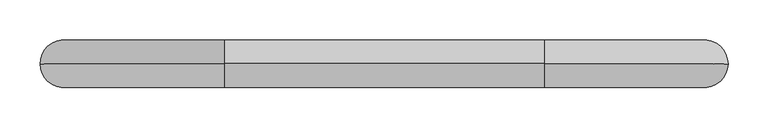
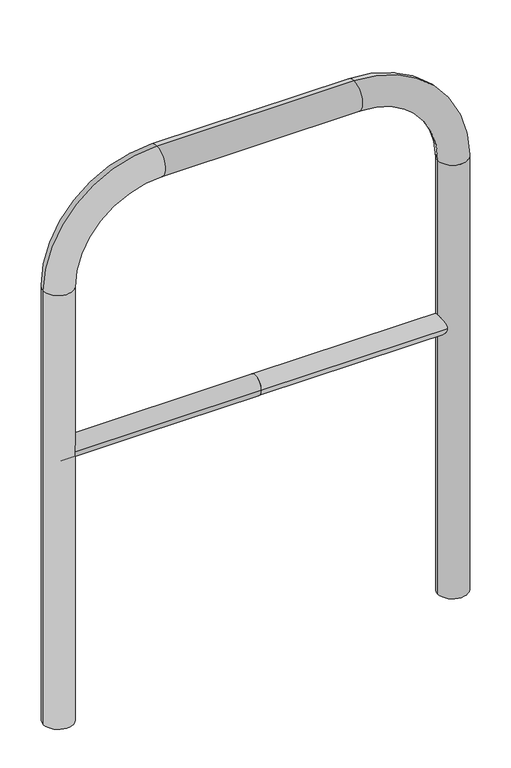
"""IFC4 building model written with IfcOpenShell, lengths in millimetres: proxy geometry."""

from ifc_helpers import new_model, si_unit, point, frame, frame_2d, origin, place, context, project, spatial, circle_curve, ellipse_curve, trimmed, segment, composite_curve, outline, extrude, source, transform, mapped, element, save
from ifc_brep_helpers import plane_surface, cylinder_surface, revolved_surface, advanced_brep


def generic_models_d924626f(model_context):
    return source(origin(), model_context, "Body", "SolidModel", [
        extrude(outline(composite_curve([segment(trimmed(circle_curve(frame_2d((0.0, 498.4778375)), 20.0), [point((-20.0, 498.4778375))], [point((20.0, 498.4778375))], False, "CARTESIAN"), True, "CONTINUOUS"), segment(trimmed(circle_curve(frame_2d((0.0, 498.4778375)), 20.0), [point((20.0, 498.4778375))], [point((-20.0, 498.4778375))], False, "CARTESIAN"), True, "CONTINUOUS")], self_intersect=False)), frame((-400.0, 0.0, 0.0), z_axis=(1.0, 0.0, 0.0), x_axis=(0.0, 1.0, 0.0)), (0.0, 0.0, 1.0), 400.0),
        extrude(outline(composite_curve([segment(trimmed(circle_curve(frame_2d((0.0, 498.4778375)), 20.0), [point((-20.0, 498.4778375))], [point((20.0, 498.4778375))], False, "CARTESIAN"), True, "CONTINUOUS"), segment(trimmed(circle_curve(frame_2d((0.0, 498.4778375)), 20.0), [point((20.0, 498.4778375))], [point((-20.0, 498.4778375))], False, "CARTESIAN"), True, "CONTINUOUS")], self_intersect=False)), frame((0.0, 0.0, 0.0), z_axis=(1.0, 0.0, 0.0), x_axis=(0.0, 1.0, 0.0)), (0.0, 0.0, 1.0), 400.0),
        advanced_brep(
        [(-370.0, 0.0, -80.0), (-430.0, 0.0, -80.0), (-370.0, 0.0, 850.0), (-430.0, 0.0, 850.0), (-200.0, 0.0, 1080.0), (-200.0, 0.0, 1020.0), (200.0, 0.0, 1020.0), (200.0, 0.0, 1080.0), (430.0, 0.0, 850.0), (370.0, 0.0, 850.0), (370.0, 0.0, -80.0), (430.0, 0.0, -80.0)],
        [
            (0, 1, circle_curve(frame((-400.0, 0.0, -80.0), z_axis=(0.0, 0.0, -1.0), x_axis=(-1.0, 0.0, 0.0)), 30.0)),
            (1, 0, circle_curve(frame((-400.0, 0.0, -80.0), z_axis=(0.0, 0.0, -1.0), x_axis=(-1.0, 0.0, 0.0)), 30.0)),
            (0, 2),
            (2, 3, circle_curve(frame((-400.0, 0.0, 850.0), z_axis=(0.0, 0.0, -1.0), x_axis=(-1.0, 0.0, 0.0)), 30.0)),
            (3, 1),
            (3, 2, circle_curve(frame((-400.0, 0.0, 850.0), z_axis=(0.0, 0.0, -1.0), x_axis=(-1.0, 0.0, 0.0)), 30.0)),
            (4, 3, circle_curve(frame((-200.0, 0.0, 850.0), z_axis=(0.0, -1.0, 0.0), x_axis=(-1.0, 0.0, 0.0)), 230.0)),
            (2, 5, circle_curve(frame((-200.0, 0.0, 850.0), z_axis=(0.0, 1.0, 0.0), x_axis=(-1.0, 0.0, 0.0)), 170.0)),
            (5, 4, circle_curve(frame((-200.0, 0.0, 1050.0), z_axis=(-1.0, 0.0, 0.0), x_axis=(0.0, 0.0, 1.0)), 30.0)),
            (4, 5, circle_curve(frame((-200.0, 0.0, 1050.0), z_axis=(-1.0, 0.0, 0.0), x_axis=(0.0, 0.0, 1.0)), 30.0)),
            (5, 6),
            (6, 7, circle_curve(frame((200.0, 0.0, 1050.0), z_axis=(-1.0, 0.0, 0.0), x_axis=(0.0, 0.0, 1.0)), 30.0)),
            (7, 4),
            (7, 6, circle_curve(frame((200.0, 0.0, 1050.0), z_axis=(-1.0, 0.0, 0.0), x_axis=(0.0, 0.0, 1.0)), 30.0)),
            (8, 7, circle_curve(frame((200.0, 0.0, 850.0), z_axis=(0.0, -1.0, 0.0), x_axis=(0.0, 0.0, 1.0)), 230.0)),
            (6, 9, circle_curve(frame((200.0, 0.0, 850.0), z_axis=(0.0, 1.0, 0.0), x_axis=(0.0, 0.0, 1.0)), 170.0)),
            (9, 8, circle_curve(frame((400.0, 0.0, 850.0), z_axis=(0.0, 0.0, 1.0), x_axis=(1.0, 0.0, 0.0)), 30.0)),
            (8, 9, circle_curve(frame((400.0, 0.0, 850.0), z_axis=(0.0, 0.0, 1.0), x_axis=(1.0, 0.0, 0.0)), 30.0)),
            (10, 11, circle_curve(frame((400.0, 0.0, -80.0), z_axis=(0.0, 0.0, -1.0), x_axis=(1.0, 0.0, 0.0)), 30.0)),
            (11, 10, circle_curve(frame((400.0, 0.0, -80.0), z_axis=(0.0, 0.0, -1.0), x_axis=(1.0, 0.0, 0.0)), 30.0)),
            (9, 10),
            (11, 8),
        ],
        [
            plane_surface(frame((-400.0, 0.0, -80.0), z_axis=(0.0, 0.0, -1.0), x_axis=(0.0, -1.0, 0.0))),
            cylinder_surface(frame((-400.0, 0.0, -80.0), z_axis=(0.0, 0.0, -1.0), x_axis=(-1.0, 0.0, 0.0)), 30.0),
            revolved_surface(trimmed(ellipse_curve(frame((-400.0, 0.0, 850.0), z_axis=(0.0, 0.0, -1.0), x_axis=(-1.0, 0.0, 0.0)), 30.0, 30.0), [point((-370.0, 0.0, 850.0))], [point((-430.0, 0.0, 850.0))], True, "CARTESIAN"), (-200.0, 0.0, 850.0), (0.0, 1.0, 0.0)),
            revolved_surface(trimmed(ellipse_curve(frame((-400.0, 0.0, 850.0), z_axis=(0.0, 0.0, -1.0), x_axis=(-1.0, 0.0, 0.0)), 30.0, 30.0), [point((-430.0, 0.0, 850.0))], [point((-370.0, 0.0, 850.0))], True, "CARTESIAN"), (-200.0, 0.0, 850.0), (0.0, 1.0, 0.0)),
            cylinder_surface(frame((-200.0, 0.0, 1050.0), z_axis=(-1.0, 0.0, 0.0), x_axis=(0.0, 0.0, 1.0)), 30.0),
            revolved_surface(trimmed(ellipse_curve(frame((200.0, 0.0, 1050.0), z_axis=(-1.0, 0.0, 0.0), x_axis=(0.0, 0.0, 1.0)), 30.0, 30.0), [point((200.0, 0.0, 1020.0))], [point((200.0, 0.0, 1080.0))], True, "CARTESIAN"), (200.0, 0.0, 850.0), (0.0, 1.0, 0.0)),
            revolved_surface(trimmed(ellipse_curve(frame((200.0, 0.0, 1050.0), z_axis=(-1.0, 0.0, 0.0), x_axis=(0.0, 0.0, 1.0)), 30.0, 30.0), [point((200.0, 0.0, 1080.0))], [point((200.0, 0.0, 1020.0))], True, "CARTESIAN"), (200.0, 0.0, 850.0), (0.0, 1.0, 0.0)),
            plane_surface(frame((400.0, 0.0, -80.0), z_axis=(0.0, 0.0, -1.0), x_axis=(0.0, -1.0, 0.0))),
            cylinder_surface(frame((400.0, 0.0, 850.0), z_axis=(0.0, 0.0, 1.0), x_axis=(1.0, 0.0, 0.0)), 30.0),
        ],
        [
            (0, [[1, 2]]),
            (1, [[-1, 3, 4, 5]]),
            (1, [[-2, -5, 6, -3]]),
            (2, [[7, -4, 8, 9]]),
            (3, [[-8, -6, -7, 10]]),
            (4, [[-9, 11, 12, 13]]),
            (4, [[-10, -13, 14, -11]]),
            (5, [[15, -12, 16, 17]]),
            (6, [[-16, -14, -15, 18]]),
            (7, [[19, 20]]),
            (8, [[-17, 21, -20, 22]]),
            (8, [[-18, -22, -19, -21]]),
        ],
    ),
    ])


if __name__ == "__main__":
    model = new_model("IFC4")
    model_context = context("Model", 3, world=origin())
    ifc_project = project(units=[si_unit("LENGTHUNIT", "METRE", prefix="MILLI")], contexts=[model_context])
    site = spatial("IfcSite", under=ifc_project)
    building = spatial("IfcBuilding", under=site)
    placement = place(None, origin())
    generic_models_shape = generic_models_d924626f(model_context)
    element("IfcBuildingElementProxy", 1, Name="Generic Models", at=placement, inside=building, context=model_context, shape_type="MappedRepresentation", body=[
        mapped(generic_models_shape, transform((0.0, 0.0, 0.0), x_axis=(1.0, 0.0, 0.0), y_axis=(0.0, 1.0, 0.0), z_axis=(0.0, 0.0, 1.0))),
    ])
    save(model, "model.ifc")
